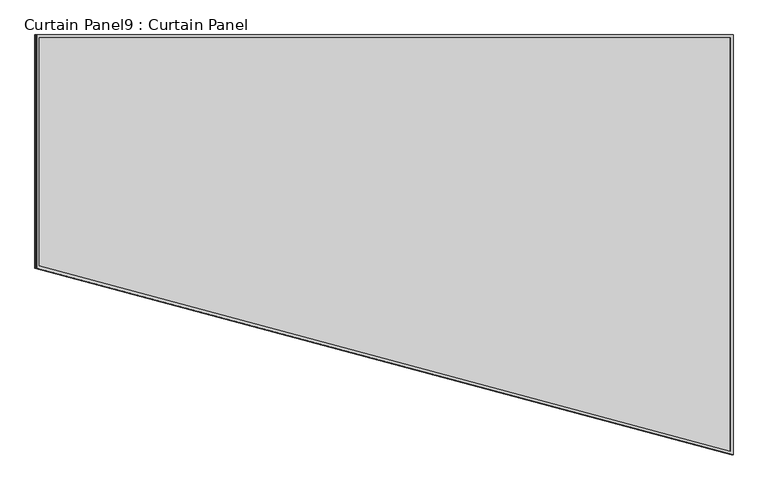
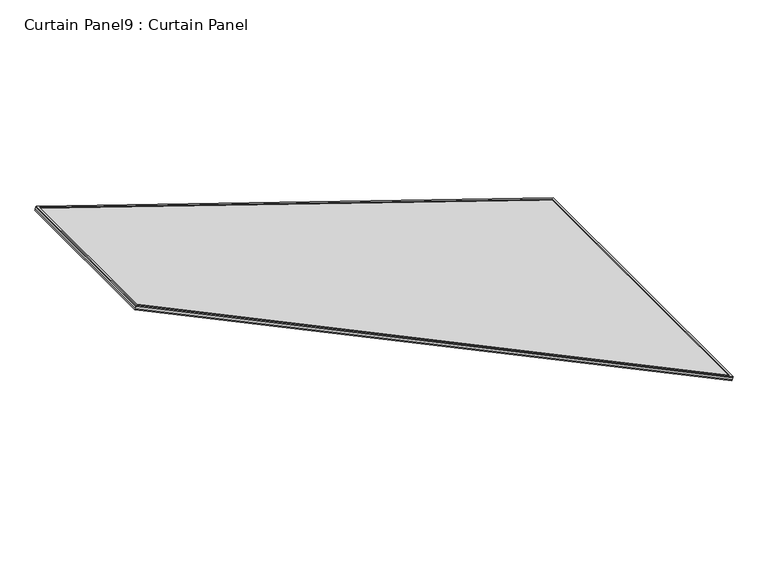
"""IFC4 building model written with IfcOpenShell, lengths in millimetres: plate geometry, Curtain Panel9 : Curtain Panel."""

from ifc_helpers import new_model, si_unit, frame, origin, place, context, project, spatial, polyline, outline, extrude, source, transform, mapped, element, save


def curtain_panel9_curtain_panel_874e5ff4(model_context):
    return source(origin(), model_context, "Body", "SweptSolid", [
        extrude(outline(polyline([(1611.6350306, -11.1125), (-14.2907959, -11.1125), (708.2367983, 2831.176464), (1611.6350306, 2831.176464), (1611.6350306, -11.1125)]), holes=[polyline([(1600.5225306, 2820.063964), (716.8778605, 2820.063964), (0.0, 0.0), (1600.5225306, 0.0), (1600.5225306, 2820.063964)])]), frame((21655.6626155, -1148.0607092, -5.6111556), z_axis=(0.3161458239737731, 0.0, 0.9487106081329248), x_axis=(0.0, 1.0, 0.0)), (0.0, 0.0, 1.0), 4.8079887),
        extrude(outline(polyline([(1611.6350306, -11.1125), (-14.2907959, -11.1125), (708.2367983, 2831.176464), (1611.6350306, 2831.176464), (1611.6350306, -11.1125)]), holes=[polyline([(1600.5225306, 2820.063964), (716.8778605, 2820.063964), (0.0, 0.0), (1600.5225306, 0.0), (1600.5225306, 2820.063964)])]), frame((21650.0792195, -1148.0607092, -22.3661674), z_axis=(0.3161458239738001, 0.0, 0.9487106081329159), x_axis=(0.0, 1.0, 0.0)), (0.0, 0.0, 1.0), 4.7703307),
        extrude(outline(polyline([(12.7, 0.0), (1638.6258265, 0.0), (916.0982323, -2842.2889641), (12.7, -2842.2889641), (12.7, 0.0)])), frame((21662.1298863, 476.2743214, -21.3536745), z_axis=(0.3161458239738058, 0.0, 0.948710608132914), x_axis=(0.0, -1.0, 0.0)), (0.0, 0.0, 1.0), 12.890494),
    ])


if __name__ == "__main__":
    model = new_model("IFC4")
    model_context = context("Model", 3, world=origin())
    ifc_project = project(units=[si_unit("LENGTHUNIT", "METRE", prefix="MILLI")], contexts=[model_context])
    site = spatial("IfcSite", under=ifc_project)
    building = spatial("IfcBuilding", under=site)
    placement = place(None, origin())
    curtain_panel9_curtain_panel_shape = curtain_panel9_curtain_panel_874e5ff4(model_context)
    element("IfcPlate", 1, ObjectType="Curtain Panel9 : Curtain Panel", at=placement, inside=building, context=model_context, shape_type="MappedRepresentation", body=[
        mapped(curtain_panel9_curtain_panel_shape, transform((0.0, 0.0, 0.0), x_axis=(1.0, 0.0, 0.0), y_axis=(0.0, 1.0, 0.0), z_axis=(0.0, 0.0, 1.0))),
    ])
    save(model, "model.ifc")
